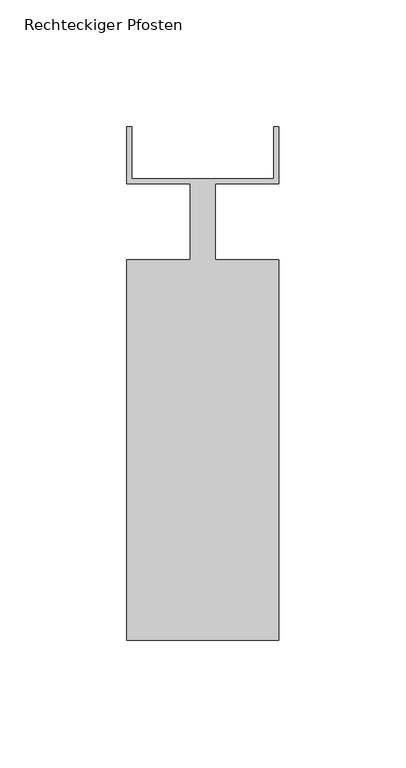
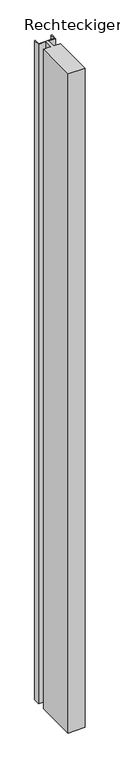
"""IFC4 building model written with IfcOpenShell, lengths in millimetres: member geometry, Rechteckiger Pfosten."""

from ifc_helpers import new_model, si_unit, frame, origin, place, context, project, spatial, polyline, outline, extrude, source, transform, mapped, element, save


def rechteckiger_pfosten_a2a223c2(model_context):
    return source(origin(), model_context, "Body", "SweptSolid", [
        extrude(outline(polyline([(28.0, 37.5), (30.0, 37.5), (30.0, 15.0), (5.0, 15.0), (5.0, -15.0), (30.0, -15.0), (30.0, -165.0), (-30.0, -165.0), (-30.0, -15.0), (-5.0, -15.0), (-5.0, 15.0), (-30.0, 15.0), (-30.0, 37.5), (-28.0, 37.5), (-28.0, 17.0), (28.0, 17.0), (28.0, 37.5)])), frame((0.0, 0.0, -2439.9999997), z_axis=(0.0, 0.0, 1.0), x_axis=(1.0, 0.0, 0.0)), (0.0, 0.0, 1.0), 2439.9999997),
    ])


if __name__ == "__main__":
    model = new_model("IFC4")
    model_context = context("Model", 3, world=origin())
    ifc_project = project(units=[si_unit("LENGTHUNIT", "METRE", prefix="MILLI")], contexts=[model_context])
    site = spatial("IfcSite", under=ifc_project)
    building = spatial("IfcBuilding", under=site)
    placement = place(None, origin())
    rechteckiger_pfosten_shape = rechteckiger_pfosten_a2a223c2(model_context)
    element("IfcMember", 1, ObjectType="Rechteckiger Pfosten", at=placement, inside=building, context=model_context, shape_type="MappedRepresentation", body=[
        mapped(rechteckiger_pfosten_shape, transform((0.0, 0.0, 0.0), x_axis=(1.0, 0.0, 0.0), y_axis=(0.0, 1.0, 0.0), z_axis=(0.0, 0.0, 1.0))),
    ])
    save(model, "model.ifc")
